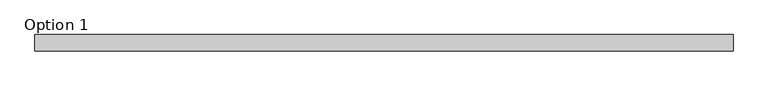
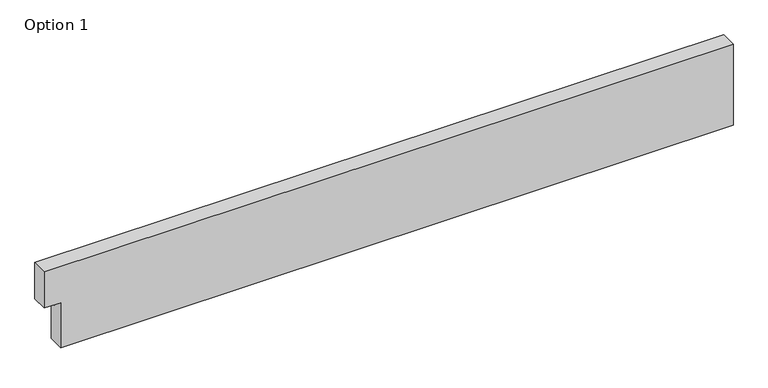
"""IFC4 building model written with IfcOpenShell, lengths in millimetres: proxy geometry, Option 1."""

import ifcopenshell
import ifcopenshell.guid

model = None  # the IFC model being written
_history = None  # IfcOwnerHistory: only IFC2X3 demands one
_inside = {}  # id of a spatial element -> (the spatial element, [elements in it])
_under = {}  # id of a project, library or spatial element -> (it, [spatial elements below it])
_declared = {}  # id of a project -> (the project, [libraries it declares])
_typed = {}  # id of a type object -> (the type object, [elements of that type])
_made_of = {}  # id of a material, layer set ... -> (it, [elements and type objects made of it])


def new_model(schema):
    """Start an empty IFC model of exactly this schema.

    Asked for "IFC4X3", IfcOpenShell would pick the latest addendum, in which some entities
    have other attributes; the version numbers below select the first issue.
    IFC2X3 requires an IfcOwnerHistory on every rooted entity: one is made here for all.
    """
    global model, _history
    if schema == "IFC4X3":
        model = ifcopenshell.file(schema_version=(4, 3, 0, 0))
    else:
        model = ifcopenshell.file(schema=schema)
    _inside.clear()
    _under.clear()
    _declared.clear()
    _typed.clear()
    _made_of.clear()
    _history = None
    if model.schema == "IFC2X3":
        org = make("IfcOrganization", Name="unknown")
        user = make(
            "IfcPersonAndOrganization",
            ThePerson=make("IfcPerson", FamilyName="unknown"),
            TheOrganization=org,
        )
        app = make(
            "IfcApplication",
            ApplicationDeveloper=org,
            Version="unknown",
            ApplicationFullName="unknown",
            ApplicationIdentifier="unknown",
        )
        _history = make(
            "IfcOwnerHistory",
            OwningUser=user,
            OwningApplication=app,
            ChangeAction="ADDED",
            CreationDate=0,
        )
    return model


def make(cls, **values):
    """One entity of the class cls with the attributes given. An attribute that is None is left unset."""
    return model.create_entity(
        cls, **{name: value for name, value in values.items() if value is not None}
    )


def rooted(cls, **values):
    """An entity with a GlobalId (a new one), such as an element, a storey or a relation."""
    return make(cls, GlobalId=ifcopenshell.guid.new(), OwnerHistory=_history, **values)


def si_unit(unit_type, name, prefix=None):
    """IfcSIUnit, for example si_unit("LENGTHUNIT", "METRE", prefix="MILLI")."""
    return make("IfcSIUnit", UnitType=unit_type, Prefix=prefix, Name=name)


def assignment(units):
    """IfcUnitAssignment: the units of a project."""
    return None if units is None else make("IfcUnitAssignment", Units=units)


def point(xyz):
    """IfcCartesianPoint."""
    return None if xyz is None else make("IfcCartesianPoint", Coordinates=xyz)


def direction(xyz):
    """IfcDirection."""
    return None if xyz is None else make("IfcDirection", DirectionRatios=xyz)


def frame(location, z_axis=None, x_axis=None):
    """IfcAxis2Placement3D, a coordinate frame: its origin and axes. An axis left out is left unset."""
    return make(
        "IfcAxis2Placement3D",
        Location=point(location),
        Axis=direction(z_axis),
        RefDirection=direction(x_axis),
    )


def origin():
    """The frame at (0, 0, 0) with its axes left unset."""
    return frame((0.0, 0.0, 0.0))


def place(relative_to, where):
    """IfcLocalPlacement: puts the frame where relative to a parent placement (None: the world)."""
    return make(
        "IfcLocalPlacement", PlacementRelTo=relative_to, RelativePlacement=where
    )


def context(
    kind, dimensions, precision=None, world=None, true_north=None, identifier=None
):
    """IfcGeometricRepresentationContext, for example the 3D "Model" context."""
    return make(
        "IfcGeometricRepresentationContext",
        ContextIdentifier=identifier,
        ContextType=kind,
        CoordinateSpaceDimension=dimensions,
        Precision=precision,
        WorldCoordinateSystem=world,
        TrueNorth=true_north,
    )


def project(units=None, contexts=None):
    """IfcProject with its units and contexts."""
    return rooted(
        "IfcProject",
        Name="project",
        RepresentationContexts=contexts,
        UnitsInContext=assignment(units),
    )


def spatial(cls, under=None, at=None, **own):
    """A site, building, storey or space (cls), placed at a placement, below another one or the project."""
    s = rooted(cls, ObjectPlacement=at, **own)
    if under is not None:
        _under.setdefault(under.id(), (under, []))[1].append(s)
    return s


def faces_of(points, faces, orient=None, outer=None):
    """IfcFace entities. A face is a list of loops; a loop is a list of indices into points, from 0.

    orient and outer hold one flag for each loop. By default every Orientation is true, the
    first loop of a face is its IfcFaceOuterBound and the others are IfcFaceBound.
    """
    made = []
    for i, loops in enumerate(faces):
        bounds = []
        for j, loop in enumerate(loops):
            is_outer = j == 0 if outer is None else outer[i][j]
            bounds.append(
                make(
                    "IfcFaceOuterBound" if is_outer else "IfcFaceBound",
                    Bound=make("IfcPolyLoop", Polygon=[points[k] for k in loop]),
                    Orientation=True if orient is None else orient[i][j],
                )
            )
        made.append(make("IfcFace", Bounds=bounds))
    return made


def faceted_brep(points, faces, orient=None, outer=None, voids=None):
    """IfcFacetedBrep: a solid bounded by flat faces; with voids (closed shells), ...WithVoids."""
    shared = [point(p) for p in points]
    hull = make("IfcClosedShell", CfsFaces=faces_of(shared, faces, orient, outer))
    if voids is None:
        return make("IfcFacetedBrep", Outer=hull)
    return make(
        "IfcFacetedBrepWithVoids",
        Outer=hull,
        Voids=[
            make(cls, CfsFaces=faces_of(shared, fs, o, b)) for cls, fs, o, b in voids
        ],
    )


def shape(context_of_items, identifier, shape_type, items):
    """IfcShapeRepresentation: the items that make up one representation, for example the "Body"."""
    return make(
        "IfcShapeRepresentation",
        ContextOfItems=context_of_items,
        RepresentationIdentifier=identifier,
        RepresentationType=shape_type,
        Items=items,
    )


def source(mapping_origin, context_of_items, identifier, shape_type, items):
    """IfcRepresentationMap: a shape defined once, which mapped items show again and again."""
    return make(
        "IfcRepresentationMap",
        MappingOrigin=mapping_origin,
        MappedRepresentation=shape(context_of_items, identifier, shape_type, items),
    )


def transform(
    local_origin,
    x_axis=None,
    y_axis=None,
    z_axis=None,
    scale=None,
    scale2=None,
    scale3=None,
    uniform=True,
):
    """IfcCartesianTransformationOperator3D, or its non-uniform kind. x_axis, y_axis, z_axis: its Axis1, 2, 3."""
    if uniform:
        return make(
            "IfcCartesianTransformationOperator3D",
            Axis1=direction(x_axis),
            Axis2=direction(y_axis),
            LocalOrigin=point(local_origin),
            Scale=scale,
            Axis3=direction(z_axis),
        )
    return make(
        "IfcCartesianTransformationOperator3DnonUniform",
        Axis1=direction(x_axis),
        Axis2=direction(y_axis),
        LocalOrigin=point(local_origin),
        Scale=scale,
        Axis3=direction(z_axis),
        Scale2=scale2,
        Scale3=scale3,
    )


def mapped(mapping_source, mapping_target):
    """IfcMappedItem: shows the shape of a source again, moved by a transform."""
    return make(
        "IfcMappedItem", MappingSource=mapping_source, MappingTarget=mapping_target
    )


def made_of(thing, what):
    """Note that an element or type object is made of a material, layer set ...; save() writes the relation."""
    if what is not None:
        _made_of.setdefault(what.id(), (what, []))[1].append(thing)
    return thing


def element(
    cls,
    number,
    at=None,
    inside=None,
    cuts=None,
    type_object=None,
    material=None,
    context=None,
    identifier="Body",
    shape_type=None,
    held_by="IfcProductDefinitionShape",
    body=None,
    shapes=None,
    **own,
):
    """One element of the class cls, such as IfcWall. Its Tag is "e" and its number.

    at: its placement. inside: the storey or other place that contains it. cuts: it is an
    opening in that element (IfcRelVoidsElement). A single representation is given by context,
    identifier, shape_type and body (its items); several are given by shapes. held_by: the class
    of the entity that holds the representations. save() writes the other relations.
    """
    e = rooted(cls, Tag="e%d" % number, ObjectPlacement=at, **own)
    if body is not None:
        shapes = [shape(context, identifier, shape_type, body)]
    if shapes is not None:
        e.Representation = make(held_by, Representations=shapes)
    if inside is not None:
        _inside.setdefault(inside.id(), (inside, []))[1].append(e)
    if cuts is not None:
        rooted(
            "IfcRelVoidsElement", RelatingBuildingElement=cuts, RelatedOpeningElement=e
        )
    if type_object is not None:
        _typed.setdefault(type_object.id(), (type_object, []))[1].append(e)
    return made_of(e, material)


def aggregate(whole, parts):
    """IfcRelAggregates: a whole, such as a stair, and the parts it consists of."""
    return rooted("IfcRelAggregates", RelatingObject=whole, RelatedObjects=parts)


def save(model, path):
    """Write the relations noted so far, then the file.

    IfcRelAggregates (storeys below a building ...), IfcRelContainedInSpatialStructure (elements
    in a storey), IfcRelDefinesByType, IfcRelAssociatesMaterial and IfcRelDeclares: one each for
    every whole, place, type object, material and project.
    """
    for whole, parts in _under.values():
        aggregate(whole, parts)
    for where, things in _inside.values():
        rooted(
            "IfcRelContainedInSpatialStructure",
            RelatedElements=things,
            RelatingStructure=where,
        )
    for kind, things in _typed.values():
        rooted("IfcRelDefinesByType", RelatedObjects=things, RelatingType=kind)
    for what, things in _made_of.values():
        rooted("IfcRelAssociatesMaterial", RelatedObjects=things, RelatingMaterial=what)
    for by, libraries in _declared.values():
        rooted("IfcRelDeclares", RelatingContext=by, RelatedDefinitions=libraries)
    model.write(path)


def option_1_68f8b63c(model_context):
    return source(origin(), model_context, "Body", "Brep", [
        faceted_brep([(0.0, 0.0, 200.0), (0.0, 38.0, 200.0), (0.0, 38.0, 111.0), (0.0, 0.0, 111.0), (1606.0, 38.0, 200.0), (1606.0, 0.0, 200.0), (1606.0, 0.0, 0.0), (1606.0, 38.0, 0.0), (1606.0, 38.0, 89.5), (1606.0, 25.0, 89.5), (1606.0, 25.0, 110.5), (1606.0, 38.0, 110.5), (38.0, 38.0, 0.0), (38.0, 38.0, 89.5), (38.0, 38.0, 110.5), (38.0, 38.0, 111.0), (38.0, 0.0, 111.0), (38.0, 0.0, 0.0), (38.0, 25.0, 89.5), (38.0, 25.0, 110.5)], [[[0, 1, 2, 3]], [[4, 5, 6, 7, 8, 9, 10, 11]], [[8, 7, 12, 13]], [[1, 4, 11, 14, 15, 2]], [[1, 0, 5, 4]], [[6, 5, 0, 3, 16, 17]], [[7, 6, 17, 12]], [[10, 9, 18, 19]], [[9, 8, 13, 18]], [[11, 10, 19, 14]], [[16, 15, 14, 19, 18, 13, 12, 17]], [[15, 16, 3, 2]]]),
    ])


if __name__ == "__main__":
    model = new_model("IFC4")
    model_context = context("Model", 3, world=origin())
    ifc_project = project(units=[si_unit("LENGTHUNIT", "METRE", prefix="MILLI")], contexts=[model_context])
    site = spatial("IfcSite", under=ifc_project)
    building = spatial("IfcBuilding", under=site)
    placement = place(None, origin())
    option_1_shape = option_1_68f8b63c(model_context)
    element("IfcBuildingElementProxy", 1, Name="Option 1", ObjectType="Option 1", at=placement, inside=building, context=model_context, shape_type="MappedRepresentation", body=[
        mapped(option_1_shape, transform((0.0, 0.0, 0.0), x_axis=(1.0, 0.0, 0.0), y_axis=(0.0, 1.0, 0.0), z_axis=(0.0, 0.0, 1.0))),
    ])
    save(model, "model.ifc")
